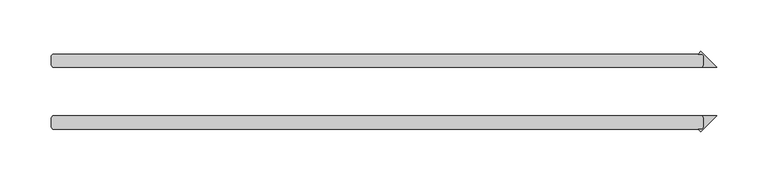
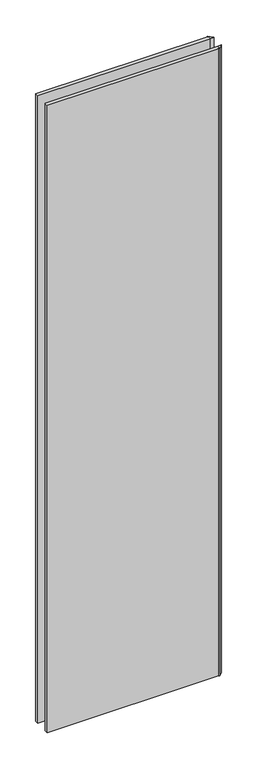
"""IFC4 building model written with IfcOpenShell, lengths in millimetres: plate geometry."""

from ifc_helpers import new_model, si_unit, origin, origin_with_axes, place, context, project, spatial, polyline, outline, extrude, source, transform, mapped, element, save


def plate_a68b6acc(model_context):
    return source(origin(), model_context, "Body", "SweptSolid", [
        extrude(outline(polyline([(318.690625, 25.4), (318.690625, 34.925), (317.103125, 36.5125), (313.270561, 36.5125), (315.980593, 39.222532), (331.390625, 23.8125), (317.103125, 23.8125), (318.690625, 25.4)])), origin_with_axes(), (0.0, 0.0, 1.0), 2428.7789267),
        extrude(outline(polyline([(318.690625, -25.4), (317.103125, -23.8125), (331.390625, -23.8125), (315.980593, -39.222532), (313.270561, -36.5125), (317.103125, -36.5125), (318.690625, -34.925), (318.690625, -25.4)])), origin_with_axes(), (0.0, 0.0, 1.0), 2428.7789267),
        extrude(outline(polyline([(317.103125, 23.8125), (-315.515625, 23.8125), (-317.103125, 25.4), (-317.103125, 34.925), (-315.515625, 36.5125), (317.103125, 36.5125), (318.690625, 34.925), (318.690625, 25.4), (317.103125, 23.8125)])), origin_with_axes(), (0.0, 0.0, 1.0), 2428.7789267),
        extrude(outline(polyline([(317.103125, -36.5125), (-315.515625, -36.5125), (-317.103125, -34.925), (-317.103125, -25.4), (-315.515625, -23.8125), (317.103125, -23.8125), (318.690625, -25.4), (318.690625, -34.925), (317.103125, -36.5125)])), origin_with_axes(), (0.0, 0.0, 1.0), 2428.7789267),
    ])


if __name__ == "__main__":
    model = new_model("IFC4")
    model_context = context("Model", 3, world=origin())
    ifc_project = project(units=[si_unit("LENGTHUNIT", "METRE", prefix="MILLI")], contexts=[model_context])
    site = spatial("IfcSite", under=ifc_project)
    building = spatial("IfcBuilding", under=site)
    placement = place(None, origin())
    plate_shape = plate_a68b6acc(model_context)
    element("IfcPlate", 1, at=placement, inside=building, context=model_context, shape_type="MappedRepresentation", body=[
        mapped(plate_shape, transform((0.0, 0.0, 0.0), x_axis=(1.0, 0.0, 0.0), y_axis=(0.0, 1.0, 0.0), z_axis=(0.0, 0.0, 1.0))),
    ])
    save(model, "model.ifc")
